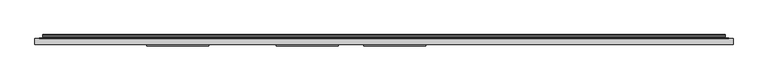
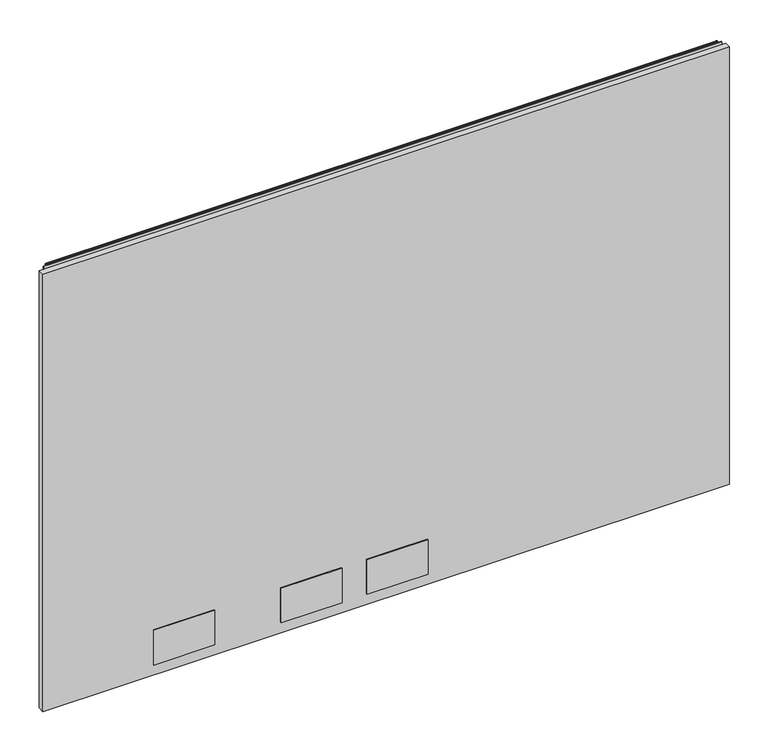
"""IFC4 building model written with IfcOpenShell, lengths in millimetres: furniture geometry."""

from ifc_helpers import new_model, si_unit, point, frame, frame_2d, origin, place, context, project, spatial, polyline, circle_curve, trimmed, segment, composite_curve, outline, extrude, source, transform, mapped, element, save


def furniture_8370299d(model_context):
    return source(origin(), model_context, "Body", "SweptSolid", [
        extrude(outline(polyline([(1.778, 1.45288), (1.778, 10.9778796), (1065.0219835, 10.9778796), (1065.0219835, 1.45288), (1.778, 1.45288)])), frame((0.0, 0.0, 12.7), z_axis=(0.0, 0.0, 1.0), x_axis=(1.0, 0.0, 0.0)), (0.0, 0.0, 1.0), 715.7592871),
        extrude(outline(polyline([(266.572991, -0.57912), (172.3390082, -0.57912), (172.3390082, 1.45288), (266.572991, 1.45288), (266.572991, -0.57912)])), frame((0.0, 0.0, 30.2259996), z_axis=(0.0, 0.0, 1.0), x_axis=(1.0, 0.0, 0.0)), (0.0, 0.0, 1.0), 56.6420005),
        extrude(outline(polyline([(463.422985, -0.57912), (369.188984, -0.57912), (369.188984, 1.45288), (463.422985, 1.45288), (463.422985, -0.57912)])), frame((0.0, 0.0, 30.2259996), z_axis=(0.0, 0.0, 1.0), x_axis=(1.0, 0.0, 0.0)), (0.0, 0.0, 1.0), 56.6420005),
        extrude(outline(polyline([(596.772985, -0.57912), (502.538984, -0.57912), (502.538984, 1.45288), (596.772985, 1.45288), (596.772985, -0.57912)])), frame((0.0, 0.0, 30.2259996), z_axis=(0.0, 0.0, 1.0), x_axis=(1.0, 0.0, 0.0)), (0.0, 0.0, 1.0), 56.6420005),
        extrude(outline(composite_curve([segment(polyline([(10.9778796, 732.8853024), (10.9778796, 733.8277903)]), True, "CONTINUOUS"), segment(trimmed(circle_curve(frame_2d((11.6164846, 733.8277903)), 0.638605), [point((10.9778796, 733.8277903))], [point((11.6164846, 734.4663953))], False, "CARTESIAN"), True, "CONTINUOUS"), segment(polyline([(11.6164846, 734.4663953), (13.251317, 734.4663953)]), True, "CONTINUOUS"), segment(trimmed(circle_curve(frame_2d((13.251317, 732.0930753)), 2.37332), [point((13.251317, 734.4663953))], [point((15.6071079, 731.8051575))], False, "CARTESIAN"), True, "CONTINUOUS"), segment(polyline([(15.6071079, 731.8051575), (15.2080413, 728.5399287)]), True, "CONTINUOUS"), segment(trimmed(circle_curve(frame_2d((17.5068753, 728.2589719)), 2.3159393), [point((15.2080413, 728.5399287))], [point((15.5012134, 727.1010018))], True, "CARTESIAN"), True, "CONTINUOUS"), segment(polyline([(15.5012134, 727.1010018), (16.6600675, 725.0938087), (15.9781592, 724.7001085), (14.819305, 726.7073016)]), True, "CONTINUOUS"), segment(trimmed(circle_curve(frame_2d((17.5068753, 728.2589719)), 3.1033393), [point((14.819305, 726.7073016))], [point((14.4264569, 728.6354516))], False, "CARTESIAN"), True, "CONTINUOUS"), segment(polyline([(14.4264569, 728.6354516), (14.8255236, 731.9006804)]), True, "CONTINUOUS"), segment(trimmed(circle_curve(frame_2d((13.251317, 732.0930753)), 1.58592), [point((14.8255236, 731.9006804))], [point((13.251317, 733.6789953))], True, "CARTESIAN"), True, "CONTINUOUS"), segment(polyline([(13.251317, 733.6789953), (11.7652796, 733.6789953), (11.7652796, 732.8853024), (10.9778796, 732.8853024)]), True, "CONTINUOUS")], self_intersect=False)), frame((13.7160002, 0.0, 0.0), z_axis=(1.0, 0.0, 0.0), x_axis=(0.0, 1.0, 0.0)), (0.0, 0.0, 1.0), 1039.3680076),
        extrude(outline(polyline([(8.1280002, 10.9778796), (8.1280002, 11.7652796), (1058.6720078, 11.7652796), (1058.6720078, 10.9778796), (8.1280002, 10.9778796)])), frame((0.0, 0.0, 702.2084079), z_axis=(0.0, 0.0, 1.0), x_axis=(1.0, 0.0, 0.0)), (0.0, 0.0, 1.0), 30.8009179),
    ])


if __name__ == "__main__":
    model = new_model("IFC4")
    model_context = context("Model", 3, world=origin())
    ifc_project = project(units=[si_unit("LENGTHUNIT", "METRE", prefix="MILLI")], contexts=[model_context])
    site = spatial("IfcSite", under=ifc_project)
    building = spatial("IfcBuilding", under=site)
    placement = place(None, origin())
    furniture_shape = furniture_8370299d(model_context)
    element("IfcFurniture", 1, at=placement, inside=building, context=model_context, shape_type="MappedRepresentation", body=[
        mapped(furniture_shape, transform((0.0, 0.0, 0.0), x_axis=(1.0, 0.0, 0.0), y_axis=(0.0, 1.0, 0.0), z_axis=(0.0, 0.0, 1.0))),
    ])
    save(model, "model.ifc")
